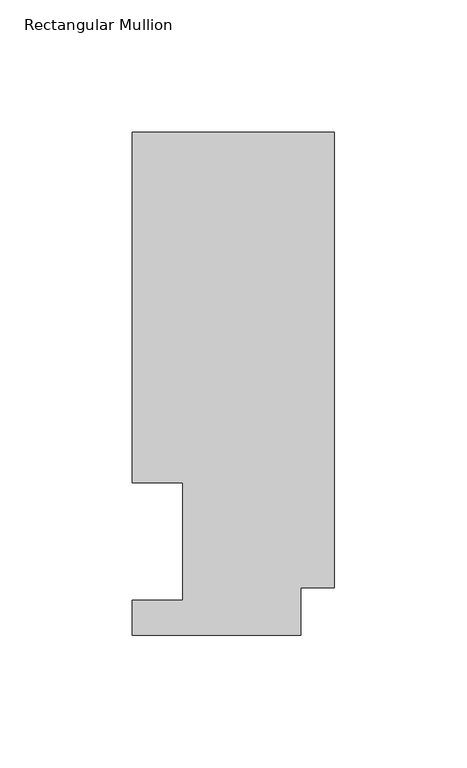
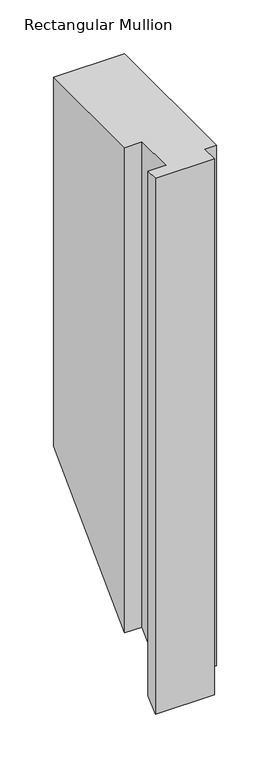
"""IFC4 building model written with IfcOpenShell, lengths in millimetres: member geometry, Rectangular Mullion."""

from ifc_helpers import new_model, si_unit, origin, place, context, project, spatial, faceted_brep, source, transform, mapped, element, save


def rectangular_mullion_b45b83a2(model_context):
    return source(origin(), model_context, "Body", "Brep", [
        faceted_brep([(0.0, 189.8022938, 0.0), (-76.2, 189.8022938, 0.0), (-76.2, 57.6460938, 0.0), (-57.15, 57.6460937, 0.0), (-57.15, 13.1960938, 0.0), (-76.2, 13.1960938, 0.0), (-76.2, 0.0134938, 0.0), (-12.7, 0.0134938, 0.0), (-12.7, 17.9712938, 0.0), (0.0, 17.9712938, 0.0), (0.0, 17.9712938, -591.6287063), (0.0, 189.8022938, -419.7977063), (-12.7, 17.9712938, -591.6287062), (-12.7, 0.0134938, -609.5865062), (-76.2, 0.0134938, -609.5865062), (-76.2, 13.1960938, -596.4039062), (-57.15, 13.1960938, -596.4039062), (-57.15, 57.6460937, -551.9539063), (-76.2, 57.6460938, -551.9539063), (-76.2, 189.8022938, -419.7977063)], [[[0, 1, 2, 3, 4, 5, 6, 7, 8, 9]], [[0, 9, 10, 11]], [[9, 8, 12, 10]], [[8, 7, 13, 12]], [[7, 6, 14, 13]], [[6, 5, 15, 14]], [[5, 4, 16, 15]], [[4, 3, 17, 16]], [[3, 2, 18, 17]], [[2, 1, 19, 18]], [[1, 0, 11, 19]], [[11, 10, 12, 13, 14, 15, 16, 17, 18, 19]]]),
    ])


if __name__ == "__main__":
    model = new_model("IFC4")
    model_context = context("Model", 3, world=origin())
    ifc_project = project(units=[si_unit("LENGTHUNIT", "METRE", prefix="MILLI")], contexts=[model_context])
    site = spatial("IfcSite", under=ifc_project)
    building = spatial("IfcBuilding", under=site)
    placement = place(None, origin())
    rectangular_mullion_shape = rectangular_mullion_b45b83a2(model_context)
    element("IfcMember", 1, ObjectType="Rectangular Mullion", at=placement, inside=building, context=model_context, shape_type="MappedRepresentation", body=[
        mapped(rectangular_mullion_shape, transform((0.0, 0.0, 0.0), x_axis=(1.0, 0.0, 0.0), y_axis=(0.0, 1.0, 0.0), z_axis=(0.0, 0.0, 1.0))),
    ])
    save(model, "model.ifc")
